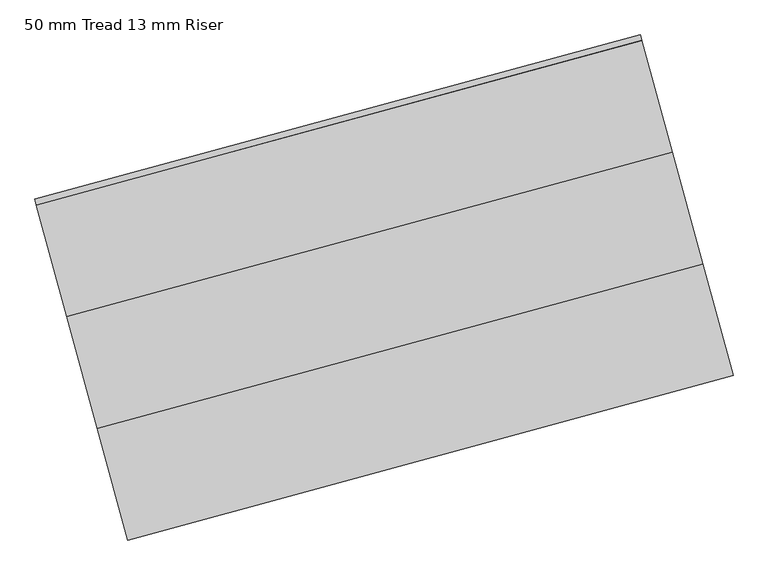
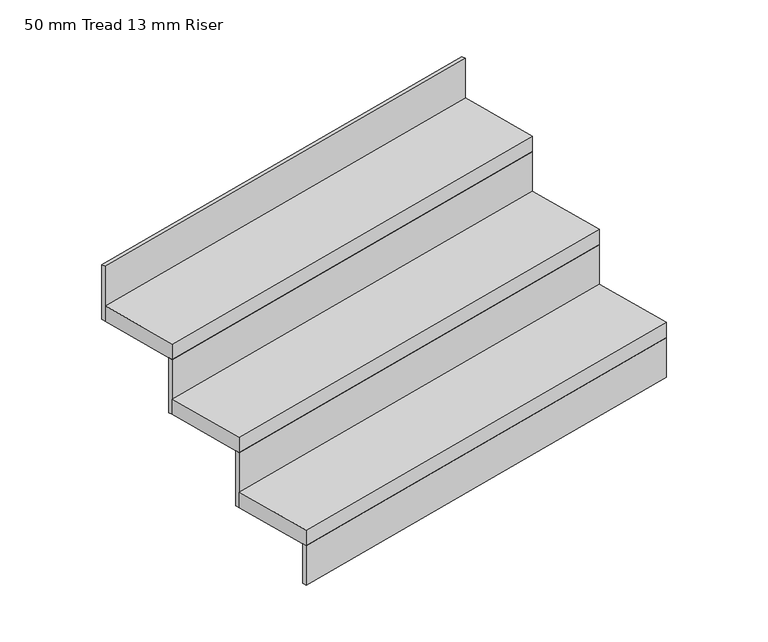
"""IFC4 building model written with IfcOpenShell, lengths in millimetres: stair flight geometry, 50 mm Tread 13 mm Riser."""

from ifc_helpers import new_model, si_unit, frame, origin, origin_with_axes, place, context, project, spatial, polyline, outline, extrude, source, transform, mapped, element, save


def stair_flight_50_mm_tread_13_mm_riser_b83a2c50(model_context):
    return source(origin(), model_context, "Body", "SweptSolid", [
        extrude(outline(polyline([(190038.1308147, 79723.2853581), (190041.4094252, 79711.2229905), (188734.9650347, 79356.1250221), (188731.6864242, 79368.1873898), (190038.1308147, 79723.2853581)])), origin_with_axes(), (0.0, 0.0, 1.0), 127.7777778),
        extrude(outline(polyline([(188669.3928254, 79597.3723752), (189975.8372159, 79952.4703436), (190041.4094252, 79711.2229905), (188734.9650347, 79356.1250221), (188669.3928254, 79597.3723752)])), frame((0.0, 0.0, 127.7777778), z_axis=(0.0, 0.0, 1.0), x_axis=(1.0, 0.0, 0.0)), (0.0, 0.0, 1.0), 50.0),
        extrude(outline(polyline([(189972.5586054, 79964.5327112), (189975.8372159, 79952.4703436), (188669.3928254, 79597.3723752), (188666.114215, 79609.4347429), (189972.5586054, 79964.5327112)])), frame((0.0, 0.0, 127.7777778), z_axis=(0.0, 0.0, 1.0), x_axis=(1.0, 0.0, 0.0)), (0.0, 0.0, 1.0), 177.7777778),
        extrude(outline(polyline([(188603.8206162, 79838.6197283), (189910.2650066, 80193.7176967), (189975.8372159, 79952.4703436), (188669.3928254, 79597.3723752), (188603.8206162, 79838.6197283)])), frame((0.0, 0.0, 305.5555556), z_axis=(0.0, 0.0, 1.0), x_axis=(1.0, 0.0, 0.0)), (0.0, 0.0, 1.0), 50.0),
        extrude(outline(polyline([(189906.9863962, 80205.7800643), (189910.2650066, 80193.7176967), (188603.8206162, 79838.6197283), (188600.5420057, 79850.682096), (189906.9863962, 80205.7800643)])), frame((0.0, 0.0, 305.5555556), z_axis=(0.0, 0.0, 1.0), x_axis=(1.0, 0.0, 0.0)), (0.0, 0.0, 1.0), 177.7777778),
        extrude(outline(polyline([(189841.4141869, 80447.0274174), (189844.6927974, 80434.9650498), (188538.2484069, 80079.8670814), (188534.9697964, 80091.929449), (189841.4141869, 80447.0274174)])), frame((0.0, 0.0, 483.3333333), z_axis=(0.0, 0.0, 1.0), x_axis=(1.0, 0.0, 0.0)), (0.0, 0.0, 1.0), 177.7777778),
        extrude(outline(polyline([(188538.2484069, 80079.8670814), (189844.6927974, 80434.9650498), (189910.2650066, 80193.7176967), (188603.8206162, 79838.6197283), (188538.2484069, 80079.8670814)])), frame((0.0, 0.0, 483.3333333), z_axis=(0.0, 0.0, 1.0), x_axis=(1.0, 0.0, 0.0)), (0.0, 0.0, 1.0), 50.0),
    ])


if __name__ == "__main__":
    model = new_model("IFC4")
    model_context = context("Model", 3, world=origin())
    ifc_project = project(units=[si_unit("LENGTHUNIT", "METRE", prefix="MILLI")], contexts=[model_context])
    site = spatial("IfcSite", under=ifc_project)
    building = spatial("IfcBuilding", under=site)
    placement = place(None, origin())
    stair_flight_50_mm_tread_13_mm_riser_shape = stair_flight_50_mm_tread_13_mm_riser_b83a2c50(model_context)
    element("IfcStairFlight", 1, ObjectType="50 mm Tread 13 mm Riser", at=placement, inside=building, context=model_context, shape_type="MappedRepresentation", body=[
        mapped(stair_flight_50_mm_tread_13_mm_riser_shape, transform((0.0, 0.0, 0.0), x_axis=(1.0, 0.0, 0.0), y_axis=(0.0, 1.0, 0.0), z_axis=(0.0, 0.0, 1.0))),
    ])
    save(model, "model.ifc")
